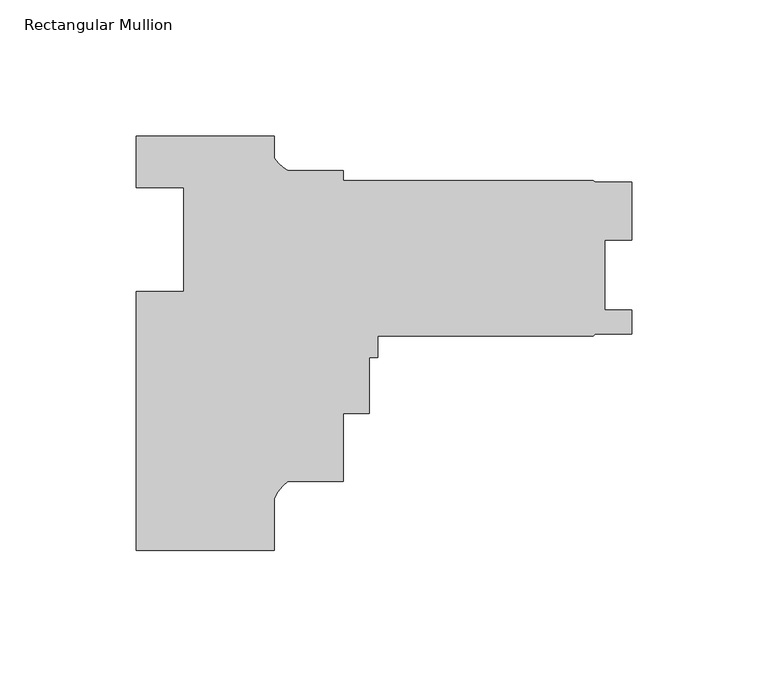
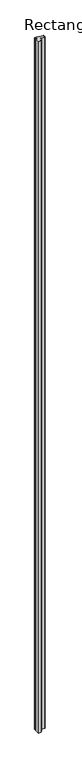
"""IFC4 building model written with IfcOpenShell, lengths in millimetres: member geometry, Rectangular Mullion."""

from ifc_helpers import new_model, si_unit, point, frame, frame_2d, origin, place, context, project, spatial, polyline, circle_curve, trimmed, segment, composite_curve, outline, extrude, source, transform, mapped, element, save


def rectangular_mullion_8cbe7069(model_context):
    return source(origin(), model_context, "Body", "SweptSolid", [
        extrude(outline(composite_curve([segment(polyline([(-25.4, 19.05), (25.4, 19.05), (25.4, 10.8158832)]), True, "CONTINUOUS"), segment(trimmed(circle_curve(frame_2d((37.3094465, 18.843072)), 14.3621265), [point((25.4, 10.8158832))], [point((30.3723453, 6.2674089))], True, "CARTESIAN"), True, "CONTINUOUS"), segment(polyline([(30.3723453, 6.2674089), (50.7999898, 6.2674089), (50.7999898, 2.5728645), (142.5927668, 2.5728645), (143.3616419, 2.1156646), (156.8675665, 2.1156646), (156.8675665, -19.3155855), (146.8345667, -19.3155855), (146.8345667, -45.0457855), (156.8802668, -45.0457855), (156.8802668, -53.7833855), (143.3865168, -53.7833855), (142.5927668, -54.5771355), (63.4999898, -54.5771355), (63.4999898, -62.3633911), (60.3249898, -62.3633911), (60.3249898, -82.9881911), (50.7999898, -82.9881911), (50.7999898, -108.0325911), (30.2934851, -108.0325911)]), True, "CONTINUOUS"), segment(trimmed(circle_curve(frame_2d((39.5144624, -120.3139521)), 15.3576772), [point((30.2934851, -108.0325911))], [point((25.4, -114.2608371))], True, "CARTESIAN"), True, "CONTINUOUS"), segment(polyline([(25.4, -114.2608371), (25.4, -133.35), (-25.4, -133.35), (-25.4, -38.1), (-7.9502, -38.1), (-7.9502, 0.0), (-25.4, 0.0), (-25.4, 19.05)]), True, "CONTINUOUS")], self_intersect=False)), frame((0.0, 0.0, -15896.9411728), z_axis=(0.0, 0.0, 1.0), x_axis=(1.0, 0.0, 0.0)), (0.0, 0.0, 1.0), 15896.9411728),
    ])


if __name__ == "__main__":
    model = new_model("IFC4")
    model_context = context("Model", 3, world=origin())
    ifc_project = project(units=[si_unit("LENGTHUNIT", "METRE", prefix="MILLI")], contexts=[model_context])
    site = spatial("IfcSite", under=ifc_project)
    building = spatial("IfcBuilding", under=site)
    placement = place(None, origin())
    rectangular_mullion_shape = rectangular_mullion_8cbe7069(model_context)
    element("IfcMember", 1, ObjectType="Rectangular Mullion", at=placement, inside=building, context=model_context, shape_type="MappedRepresentation", body=[
        mapped(rectangular_mullion_shape, transform((0.0, 0.0, 0.0), x_axis=(1.0, 0.0, 0.0), y_axis=(0.0, 1.0, 0.0), z_axis=(0.0, 0.0, 1.0))),
    ])
    save(model, "model.ifc")
